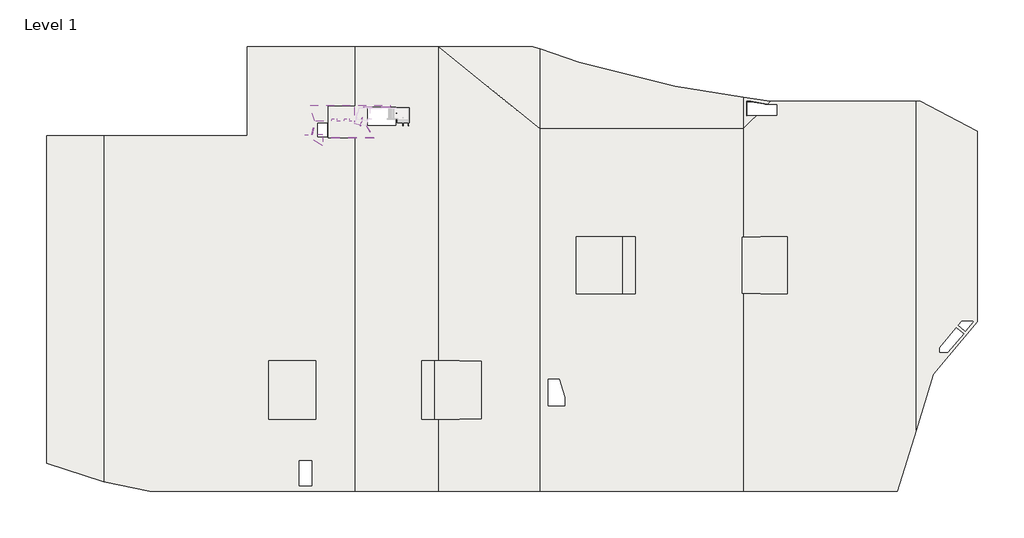
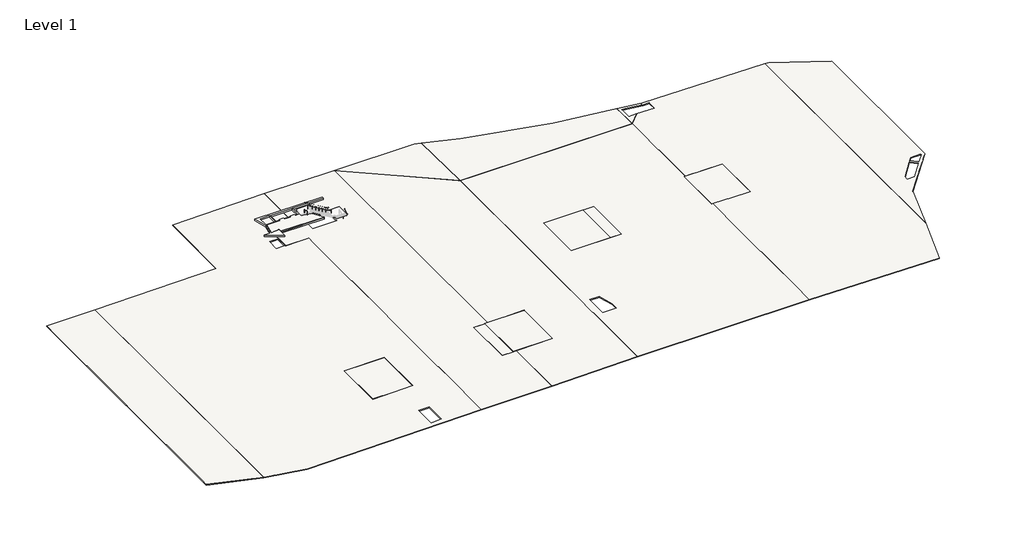
# One storey, part 1 of 2: 18 slabs, 2 railings.
"""IFC4 building model written with IfcOpenShell, lengths in millimetres."""

from ifc_helpers import new_model, si_unit, frame, origin, place, context, project, spatial, polyline, circle_curve, ellipse_curve, outline, extrude, faceted_brep, element, save
from ifc_brep_helpers import plane_surface, cylinder_surface, advanced_brep

model = new_model("IFC4")

# Units and contexts
model_context = context("Model", 3, world=origin())
ifc_project = project(units=[si_unit("LENGTHUNIT", "METRE", prefix="MILLI")], contexts=[model_context])

# Site, building, storey
site = spatial("IfcSite", under=ifc_project)
building = spatial("IfcBuilding", under=site)
storey = spatial("IfcBuildingStorey", under=building, Name="Level 1", Elevation=0.0)

# Railings
placement = place(None, origin())
element("IfcRailing", 1, at=placement, inside=storey, context=model_context, shape_type="AdvancedBrep", body=[
    advanced_brep(
    [(-109805.095066, 82229.3895559, 1539.0627805), (-109805.095066, 82267.4895559, 1539.0627805), (-115109.0879744, 82267.4895559, 4821.6038462), (-115109.0879744, 82229.3895559, 4821.6038462), (-109229.9199606, 82267.4895559, 518.7461538), (-109229.9199606, 82229.3895559, 518.7461538), (-109229.9199606, 82267.4895559, 1363.2961538), (-109229.9199606, 82229.3895559, 1363.2961538), (-109521.0879744, 82267.4895559, 1363.2961538), (-109521.0879744, 82229.3895559, 1363.2961538), (-115389.4199606, 82267.4895559, 4821.6038462), (-115389.4199606, 82229.3895559, 4821.6038462), (-115389.4199606, 82267.4895559, 3804.1384615), (-115389.4199606, 82229.3895559, 3804.1384615)],
    [
        (0, 1, circle_curve(frame((-109805.095066, 82248.4395559, 1539.0627805), z_axis=(-0.8503285033060657, 0.0, 0.526252255544113), x_axis=(0.0, -1.0, 0.0)), 19.05)),
        (1, 2),
        (2, 3, ellipse_curve(frame((-115109.0879744, 82248.4395559, 4821.6038462), z_axis=(0.9618545896615729, 0.0, -0.2735612332677407), x_axis=(-0.2735612332677405, 0.0, -0.961854589661573)), 19.8054885, 19.05)),
        (3, 0),
        (1, 0, circle_curve(frame((-109805.095066, 82248.4395559, 1539.0627805), z_axis=(-0.8503285033060657, 0.0, 0.526252255544113), x_axis=(0.0, -1.0, 0.0)), 19.05)),
        (3, 2, ellipse_curve(frame((-115109.0879744, 82248.4395559, 4821.6038462), z_axis=(0.9618545896615729, 0.0, -0.2735612332677407), x_axis=(-0.2735612332677405, 0.0, -0.961854589661573)), 19.8054885, 19.05)),
        (4, 5, circle_curve(frame((-109229.9199606, 82248.4395559, 518.7461538), z_axis=(0.0, 0.0, -1.0), x_axis=(0.0, -1.0, 0.0)), 19.05)),
        (5, 4, circle_curve(frame((-109229.9199606, 82248.4395559, 518.7461538), z_axis=(0.0, 0.0, -1.0), x_axis=(0.0, -1.0, 0.0)), 19.05)),
        (4, 6),
        (6, 7, ellipse_curve(frame((-109229.9199606, 82248.4395559, 1363.2961538), z_axis=(0.7071067811865475, 0.0, -0.7071067811865475), x_axis=(-0.7071067811865474, 0.0, -0.7071067811865476)), 26.9407684, 19.05)),
        (7, 5),
        (7, 6, ellipse_curve(frame((-109229.9199606, 82248.4395559, 1363.2961538), z_axis=(0.7071067811865475, 0.0, -0.7071067811865475), x_axis=(-0.7071067811865474, 0.0, -0.7071067811865476)), 26.9407684, 19.05)),
        (6, 8),
        (8, 9, ellipse_curve(frame((-109521.0879744, 82248.4395559, 1363.2961538), z_axis=(0.9618545896615743, 0.0, -0.273561233267736), x_axis=(0.27356123326773535, 0.0, 0.9618545896615744)), 19.8054885, 19.05)),
        (9, 7),
        (9, 8, ellipse_curve(frame((-109521.0879744, 82248.4395559, 1363.2961538), z_axis=(0.9618545896615743, 0.0, -0.273561233267736), x_axis=(0.27356123326773535, 0.0, 0.9618545896615744)), 19.8054885, 19.05)),
        (8, 1),
        (0, 9),
        (2, 10),
        (10, 11, ellipse_curve(frame((-115389.4199606, 82248.4395559, 4821.6038462), z_axis=(0.7071067811865475, 0.0, 0.7071067811865475), x_axis=(0.7071067811865476, 0.0, -0.7071067811865474)), 26.9407684, 19.05)),
        (11, 3),
        (11, 10, ellipse_curve(frame((-115389.4199606, 82248.4395559, 4821.6038462), z_axis=(0.7071067811865475, 0.0, 0.7071067811865475), x_axis=(0.7071067811865476, 0.0, -0.7071067811865474)), 26.9407684, 19.05)),
        (12, 13, circle_curve(frame((-115389.4199606, 82248.4395559, 3804.1384615), z_axis=(0.0, 0.0, -1.0), x_axis=(0.0, -1.0, 0.0)), 19.05)),
        (13, 12, circle_curve(frame((-115389.4199606, 82248.4395559, 3804.1384615), z_axis=(0.0, 0.0, -1.0), x_axis=(0.0, -1.0, 0.0)), 19.05)),
        (10, 12),
        (13, 11),
    ],
    [
        cylinder_surface(frame((-109805.095066, 82248.4395559, 1539.0627805), z_axis=(0.8503285033060657, 0.0, -0.526252255544113), x_axis=(0.0, -1.0, 0.0)), 19.05),
        plane_surface(frame((-109210.8699606, 82210.3395559, 518.7461538), z_axis=(0.0, 0.0, -1.0), x_axis=(1.0, 0.0, 0.0))),
        cylinder_surface(frame((-109229.9199606, 82248.4395559, 518.7461538), z_axis=(0.0, 0.0, -1.0), x_axis=(0.0, -1.0, 0.0)), 19.05),
        cylinder_surface(frame((-109210.8699606, 82248.4395559, 1363.2961538), z_axis=(1.0, 0.0, 0.0), x_axis=(0.0, -1.0, 0.0)), 19.05),
        cylinder_surface(frame((-109525.695066, 82248.4395559, 1366.1473959), z_axis=(0.8503285033060707, 0.0, -0.5262522555441048), x_axis=(0.0, -1.0, 0.0)), 19.05),
        cylinder_surface(frame((-115103.6699606, 82248.4395559, 4821.6038462), z_axis=(1.0, 0.0, 0.0), x_axis=(0.0, -1.0, 0.0)), 19.05),
        plane_surface(frame((-115408.4699606, 82210.3395559, 3804.1384615), z_axis=(0.0, 0.0, -1.0), x_axis=(-1.0, 0.0, 0.0))),
        cylinder_surface(frame((-115389.4199606, 82248.4395559, 4840.6538462), z_axis=(0.0, 0.0, 1.0), x_axis=(0.0, -1.0, 0.0)), 19.05),
    ],
    [
        (0, [[1, 2, 3, 4]]),
        (0, [[5, -4, 6, -2]]),
        (1, [[7, 8]]),
        (2, [[-7, 9, 10, 11]]),
        (2, [[-8, -11, 12, -9]]),
        (3, [[-10, 13, 14, 15]]),
        (3, [[-12, -15, 16, -13]]),
        (4, [[-14, 17, -1, 18]]),
        (4, [[-16, -18, -5, -17]]),
        (5, [[-3, 19, 20, 21]]),
        (5, [[-6, -21, 22, -19]]),
        (6, [[23, 24]]),
        (7, [[-20, 25, -24, 26]]),
        (7, [[-22, -26, -23, -25]]),
    ],
),
    advanced_brep(
    [(-114218.9032939, 82261.1395559, 3285.3923077), (-114218.9032939, 82235.7395559, 3285.3923077), (-114218.9032939, 82235.7395559, 4248.2744594), (-114218.9032939, 82261.1395559, 4248.2744594)],
    [
        (0, 1, circle_curve(frame((-114218.9032939, 82248.4395559, 3285.3923077), z_axis=(0.0, 0.0, -1.0), x_axis=(0.0, -1.0, 0.0)), 12.7)),
        (1, 0, circle_curve(frame((-114218.9032939, 82248.4395559, 3285.3923077), z_axis=(0.0, 0.0, -1.0), x_axis=(0.0, -1.0, 0.0)), 12.7)),
        (1, 2),
        (2, 3, ellipse_curve(frame((-114218.9032939, 82248.4395559, 4248.2744594), z_axis=(-0.5262522555441272, 0.0, -0.8503285033060568), x_axis=(-0.8503285033060568, 0.0, 0.5262522555441271)), 14.9354043, 12.7)),
        (3, 0),
        (3, 2, ellipse_curve(frame((-114218.9032939, 82248.4395559, 4248.2744594), z_axis=(-0.5262522555441272, 0.0, -0.8503285033060568), x_axis=(-0.8503285033060568, 0.0, 0.5262522555441271)), 14.9354043, 12.7)),
    ],
    [
        plane_surface(frame((-114218.9032939, 82235.7395559, 3285.3923077), z_axis=(0.0, 0.0, -1.0), x_axis=(-1.0, 0.0, 0.0))),
        cylinder_surface(frame((-114218.9032939, 82248.4395559, 3285.3923077), z_axis=(0.0, 0.0, 1.0), x_axis=(0.0, -1.0, 0.0)), 12.7),
        plane_surface(frame((-114282.4032939, 82108.9190493, 4287.5734105), z_axis=(0.5262522555441272, 0.0, 0.8503285033060568), x_axis=(0.0, 1.0, 0.0))),
    ],
    [
        (0, [[1, 2]]),
        (1, [[-2, 3, 4, 5]]),
        (1, [[-1, -5, 6, -3]]),
        (2, [[-4, -6]]),
    ],
),
    advanced_brep(
    [(-113334.1366272, 82261.1395559, 2766.6461539), (-113334.1366272, 82235.7395559, 2766.6461539), (-113334.1366272, 82235.7395559, 3700.7090748), (-113334.1366272, 82261.1395559, 3700.7090748)],
    [
        (0, 1, circle_curve(frame((-113334.1366272, 82248.4395559, 2766.6461539), z_axis=(0.0, 0.0, -1.0), x_axis=(0.0, -1.0, 0.0)), 12.7)),
        (1, 0, circle_curve(frame((-113334.1366272, 82248.4395559, 2766.6461539), z_axis=(0.0, 0.0, -1.0), x_axis=(0.0, -1.0, 0.0)), 12.7)),
        (1, 2),
        (2, 3, ellipse_curve(frame((-113334.1366272, 82248.4395559, 3700.7090748), z_axis=(-0.5262522555441267, 0.0, -0.8503285033060572), x_axis=(-0.8503285033060575, 0.0, 0.5262522555441264)), 14.9354043, 12.7)),
        (3, 0),
        (3, 2, ellipse_curve(frame((-113334.1366272, 82248.4395559, 3700.7090748), z_axis=(-0.5262522555441267, 0.0, -0.8503285033060572), x_axis=(-0.8503285033060575, 0.0, 0.5262522555441264)), 14.9354043, 12.7)),
    ],
    [
        plane_surface(frame((-113334.1366272, 82235.7395559, 2766.6461539), z_axis=(0.0, 0.0, -1.0), x_axis=(-1.0, 0.0, 0.0))),
        cylinder_surface(frame((-113334.1366272, 82248.4395559, 2766.6461539), z_axis=(0.0, 0.0, 1.0), x_axis=(0.0, -1.0, 0.0)), 12.7),
        plane_surface(frame((-113397.6366272, 82108.9190493, 3740.0080258), z_axis=(0.5262522555441267, 0.0, 0.8503285033060572), x_axis=(0.0, 1.0, 0.0))),
    ],
    [
        (0, [[1, 2]]),
        (1, [[-2, 3, 4, 5]]),
        (1, [[-1, -5, 6, -3]]),
        (2, [[-4, -6]]),
    ],
),
    advanced_brep(
    [(-112449.3699606, 82261.1395559, 2247.9), (-112449.3699606, 82235.7395559, 2247.9), (-112449.3699606, 82235.7395559, 3153.1436902), (-112449.3699606, 82261.1395559, 3153.1436902)],
    [
        (0, 1, circle_curve(frame((-112449.3699606, 82248.4395559, 2247.9), z_axis=(0.0, 0.0, -1.0), x_axis=(0.0, -1.0, 0.0)), 12.7)),
        (1, 0, circle_curve(frame((-112449.3699606, 82248.4395559, 2247.9), z_axis=(0.0, 0.0, -1.0), x_axis=(0.0, -1.0, 0.0)), 12.7)),
        (1, 2),
        (2, 3, ellipse_curve(frame((-112449.3699606, 82248.4395559, 3153.1436902), z_axis=(-0.5262522555441267, 0.0, -0.8503285033060572), x_axis=(-0.8503285033060575, 0.0, 0.5262522555441264)), 14.9354043, 12.7)),
        (3, 0),
        (3, 2, ellipse_curve(frame((-112449.3699606, 82248.4395559, 3153.1436902), z_axis=(-0.5262522555441267, 0.0, -0.8503285033060572), x_axis=(-0.8503285033060575, 0.0, 0.5262522555441264)), 14.9354043, 12.7)),
    ],
    [
        plane_surface(frame((-112449.3699606, 82235.7395559, 2247.9), z_axis=(0.0, 0.0, -1.0), x_axis=(-1.0, 0.0, 0.0))),
        cylinder_surface(frame((-112449.3699606, 82248.4395559, 2247.9), z_axis=(0.0, 0.0, 1.0), x_axis=(0.0, -1.0, 0.0)), 12.7),
        plane_surface(frame((-112512.8699606, 82108.9190493, 3192.4426412), z_axis=(0.5262522555441267, 0.0, 0.8503285033060572), x_axis=(0.0, 1.0, 0.0))),
    ],
    [
        (0, [[1, 2]]),
        (1, [[-2, 3, 4, 5]]),
        (1, [[-1, -5, 6, -3]]),
        (2, [[-4, -6]]),
    ],
),
    advanced_brep(
    [(-111564.6032939, 82261.1395559, 1729.1538462), (-111564.6032939, 82235.7395559, 1729.1538462), (-111564.6032939, 82235.7395559, 2605.5783056), (-111564.6032939, 82261.1395559, 2605.5783056)],
    [
        (0, 1, circle_curve(frame((-111564.6032939, 82248.4395559, 1729.1538462), z_axis=(0.0, 0.0, -1.0), x_axis=(0.0, -1.0, 0.0)), 12.7)),
        (1, 0, circle_curve(frame((-111564.6032939, 82248.4395559, 1729.1538462), z_axis=(0.0, 0.0, -1.0), x_axis=(0.0, -1.0, 0.0)), 12.7)),
        (1, 2),
        (2, 3, ellipse_curve(frame((-111564.6032939, 82248.4395559, 2605.5783056), z_axis=(-0.5262522555441272, 0.0, -0.8503285033060568), x_axis=(-0.8503285033060568, 0.0, 0.5262522555441271)), 14.9354043, 12.7)),
        (3, 0),
        (3, 2, ellipse_curve(frame((-111564.6032939, 82248.4395559, 2605.5783056), z_axis=(-0.5262522555441272, 0.0, -0.8503285033060568), x_axis=(-0.8503285033060568, 0.0, 0.5262522555441271)), 14.9354043, 12.7)),
    ],
    [
        plane_surface(frame((-111564.6032939, 82235.7395559, 1729.1538462), z_axis=(0.0, 0.0, -1.0), x_axis=(-1.0, 0.0, 0.0))),
        cylinder_surface(frame((-111564.6032939, 82248.4395559, 1729.1538462), z_axis=(0.0, 0.0, 1.0), x_axis=(0.0, -1.0, 0.0)), 12.7),
        plane_surface(frame((-111628.1032939, 82108.9190493, 2644.8772566), z_axis=(0.5262522555441272, 0.0, 0.8503285033060568), x_axis=(0.0, 1.0, 0.0))),
    ],
    [
        (0, [[1, 2]]),
        (1, [[-2, 3, 4, 5]]),
        (1, [[-1, -5, 6, -3]]),
        (2, [[-4, -6]]),
    ],
),
    advanced_brep(
    [(-110679.8366272, 82261.1395559, 1210.4076923), (-110679.8366272, 82235.7395559, 1210.4076923), (-110679.8366272, 82235.7395559, 2058.0129209), (-110679.8366272, 82261.1395559, 2058.0129209)],
    [
        (0, 1, circle_curve(frame((-110679.8366272, 82248.4395559, 1210.4076923), z_axis=(0.0, 0.0, -1.0), x_axis=(0.0, -1.0, 0.0)), 12.7)),
        (1, 0, circle_curve(frame((-110679.8366272, 82248.4395559, 1210.4076923), z_axis=(0.0, 0.0, -1.0), x_axis=(0.0, -1.0, 0.0)), 12.7)),
        (1, 2),
        (2, 3, ellipse_curve(frame((-110679.8366272, 82248.4395559, 2058.0129209), z_axis=(-0.5262522555441267, 0.0, -0.8503285033060572), x_axis=(-0.8503285033060575, 0.0, 0.5262522555441264)), 14.9354043, 12.7)),
        (3, 0),
        (3, 2, ellipse_curve(frame((-110679.8366272, 82248.4395559, 2058.0129209), z_axis=(-0.5262522555441267, 0.0, -0.8503285033060572), x_axis=(-0.8503285033060575, 0.0, 0.5262522555441264)), 14.9354043, 12.7)),
    ],
    [
        plane_surface(frame((-110679.8366272, 82235.7395559, 1210.4076923), z_axis=(0.0, 0.0, -1.0), x_axis=(-1.0, 0.0, 0.0))),
        cylinder_surface(frame((-110679.8366272, 82248.4395559, 1210.4076923), z_axis=(0.0, 0.0, 1.0), x_axis=(0.0, -1.0, 0.0)), 12.7),
        plane_surface(frame((-110743.3366272, 82108.9190493, 2097.311872), z_axis=(0.5262522555441267, 0.0, 0.8503285033060572), x_axis=(0.0, 1.0, 0.0))),
    ],
    [
        (0, [[1, 2]]),
        (1, [[-2, 3, 4, 5]]),
        (1, [[-1, -5, 6, -3]]),
        (2, [[-4, -6]]),
    ],
),
])
element("IfcRailing", 2, at=placement, inside=storey, context=model_context, shape_type="AdvancedBrep", body=[
    advanced_brep(
    [(-116856.3659337, 80783.0250179, 4824.4550882), (-116893.5656878, 80791.2583826, 4824.4550882), (-117134.0821299, 79704.5638279, 5513.2653846), (-117096.8823758, 79696.3304633, 5513.2653846), (-116769.2710325, 81352.8429627, 3804.1384615), (-116732.0712783, 81344.609598, 3804.1384615), (-116769.2710325, 81352.8429627, 4648.6884615), (-116732.0712783, 81344.609598, 4648.6884615), (-116832.1920935, 81068.5548124, 4648.6884615), (-116794.9923394, 81060.3214478, 4648.6884615), (-117194.6615383, 79430.8556663, 5513.2653846), (-117157.4617842, 79422.6223016, 5513.2653846), (-117194.6615383, 79430.8556663, 4495.8), (-117157.4617842, 79422.6223016, 4495.8)],
    [
        (0, 1, circle_curve(frame((-116874.9658107, 80787.1417003, 4824.4550882), z_axis=(-0.1837549769616325, -0.8302365156848787, 0.5262522555441091), x_axis=(0.9763714993169432, -0.21609880916280985, 0.0)), 19.05)),
        (1, 2),
        (2, 3, ellipse_curve(frame((-117115.4822529, 79700.4471456, 5513.2653846), z_axis=(0.20785563141365063, 0.9391274078327533, -0.27356123326773824), x_axis=(-0.05911625674228475, -0.2670973914806089, -0.961854589661574)), 19.8054885, 19.05)),
        (3, 0),
        (1, 0, circle_curve(frame((-116874.9658107, 80787.1417003, 4824.4550882), z_axis=(-0.1837549769616325, -0.8302365156848787, 0.5262522555441091), x_axis=(0.9763714993169432, -0.21609880916280985, 0.0)), 19.05)),
        (3, 2, ellipse_curve(frame((-117115.4822529, 79700.4471456, 5513.2653846), z_axis=(0.20785563141365063, 0.9391274078327533, -0.27356123326773824), x_axis=(-0.05911625674228475, -0.2670973914806089, -0.961854589661574)), 19.8054885, 19.05)),
        (4, 5, circle_curve(frame((-116750.6711554, 81348.7262804, 3804.1384615), z_axis=(0.0, 0.0, -1.0), x_axis=(0.9763714993169419, -0.21609880916281593, 0.0)), 19.05)),
        (5, 4, circle_curve(frame((-116750.6711554, 81348.7262804, 3804.1384615), z_axis=(0.0, 0.0, -1.0), x_axis=(0.9763714993169419, -0.21609880916281593, 0.0)), 19.05)),
        (4, 6),
        (6, 7, ellipse_curve(frame((-116750.6711554, 81348.7262804, 4648.6884615), z_axis=(0.15280493336536474, 0.6903989081242862, -0.7071067811865475), x_axis=(-0.15280493336536471, -0.6903989081242861, -0.7071067811865476)), 26.9407684, 19.05)),
        (7, 5),
        (7, 6, ellipse_curve(frame((-116750.6711554, 81348.7262804, 4648.6884615), z_axis=(0.15280493336536474, 0.6903989081242862, -0.7071067811865475), x_axis=(-0.15280493336536471, -0.6903989081242861, -0.7071067811865476)), 26.9407684, 19.05)),
        (6, 8),
        (8, 9, ellipse_curve(frame((-116813.5922165, 81064.4381301, 4648.6884615), z_axis=(0.20785563141365831, 0.9391274078327503, -0.27356123326774334), x_axis=(0.05911625674225762, 0.26709739148062034, 0.9618545896615724)), 19.8054885, 19.05)),
        (9, 7),
        (9, 8, ellipse_curve(frame((-116813.5922165, 81064.4381301, 4648.6884615), z_axis=(0.20785563141365831, 0.9391274078327503, -0.27356123326774334), x_axis=(0.05911625674225762, 0.26709739148062034, 0.9618545896615724)), 19.8054885, 19.05)),
        (8, 1),
        (0, 9),
        (2, 10),
        (10, 11, ellipse_curve(frame((-117176.0616612, 79426.7389839, 5513.2653846), z_axis=(0.1528049333653647, 0.6903989081242858, 0.7071067811865478), x_axis=(0.15280493336536483, 0.6903989081242863, -0.7071067811865474)), 26.9407684, 19.05)),
        (11, 3),
        (11, 10, ellipse_curve(frame((-117176.0616612, 79426.7389839, 5513.2653846), z_axis=(0.1528049333653647, 0.6903989081242858, 0.7071067811865478), x_axis=(0.15280493336536483, 0.6903989081242863, -0.7071067811865474)), 26.9407684, 19.05)),
        (12, 13, circle_curve(frame((-117176.0616612, 79426.7389839, 4495.8), z_axis=(0.0, 0.0, -1.0), x_axis=(0.9763714993169428, -0.21609880916281157, 0.0)), 19.05)),
        (13, 12, circle_curve(frame((-117176.0616612, 79426.7389839, 4495.8), z_axis=(0.0, 0.0, -1.0), x_axis=(0.9763714993169428, -0.21609880916281157, 0.0)), 19.05)),
        (10, 12),
        (13, 11),
    ],
    [
        cylinder_surface(frame((-116874.9658107, 80787.1417003, 4824.4550882), z_axis=(0.1837549769616325, 0.8302365156848787, -0.5262522555441091), x_axis=(0.9763714993169432, -0.21609880916280985, 0.0)), 19.05),
        plane_surface(frame((-116746.5544731, 81329.2261574, 3804.1384615), z_axis=(0.0, 0.0, -1.0), x_axis=(1.0, 0.0, 0.0))),
        cylinder_surface(frame((-116750.6711554, 81348.7262804, 3804.1384615), z_axis=(0.0, 0.0, -1.0000000000000002), x_axis=(0.9763714993169419, -0.21609880916281593, 0.0)), 19.05),
        cylinder_surface(frame((-116746.5544731, 81367.3261574, 4648.6884615), z_axis=(0.21609880916281587, 0.9763714993169418, 0.0), x_axis=(0.9763714993169418, -0.21609880916281587, 0.0)), 19.05),
        cylinder_surface(frame((-116814.5878035, 81059.9398972, 4651.5397036), z_axis=(0.1837549769616467, 0.83023651568487, -0.5262522555441179), x_axis=(0.9763714993169403, -0.21609880916282292, 0.0)), 19.05),
        cylinder_surface(frame((-117114.3114265, 79705.7371399, 5513.2653846), z_axis=(0.21609880916281593, 0.9763714993169419, 0.0), x_axis=(0.9763714993169419, -0.21609880916281593, 0.0)), 19.05),
        plane_surface(frame((-117180.1783435, 79370.0391069, 4495.8), z_axis=(0.0, 0.0, -1.0), x_axis=(-1.0, 0.0, 0.0))),
        cylinder_surface(frame((-117176.0616612, 79426.7389839, 5532.3153846), z_axis=(0.0, 0.0, 1.0000000000000002), x_axis=(0.9763714993169428, -0.21609880916281157, 0.0)), 19.05),
    ],
    [
        (0, [[1, 2, 3, 4]]),
        (0, [[5, -4, 6, -2]]),
        (1, [[7, 8]]),
        (2, [[-7, 9, 10, 11]]),
        (2, [[-8, -11, 12, -9]]),
        (3, [[-10, 13, 14, 15]]),
        (3, [[-12, -15, 16, -13]]),
        (4, [[-14, 17, -1, 18]]),
        (4, [[-16, -18, -5, -17]]),
        (5, [[-3, 19, 20, 21]]),
        (5, [[-6, -21, 22, -19]]),
        (6, [[23, 24]]),
        (7, [[-20, 25, -24, 26]]),
        (7, [[-22, -26, -23, -25]]),
    ],
),
])

# Slabs
element("IfcSlab", 3, ObjectType="Architectural Slab 14\"", at=placement, inside=storey, context=model_context, shape_type="SweptSolid", body=[
    extrude(outline(polyline([(-110645.9699606, 83981.3013723), (-110645.9699606, 83513.6125027), (-118509.3355037, 83513.6125027), (-118509.3355037, 80014.4956832), (-115871.5938154, 79430.6883536), (-114182.9690835, 76778.9119759), (-114254.2357404, 76701.6500038), (-125502.7803676, 76701.6500038), (-125502.7803676, 75106.3870817), (-129379.1063344, 77536.3472984), (-127828.8588213, 77536.3472984), (-127263.0404606, 80571.9750038), (-128163.7230924, 83981.3013723), (-110645.9699606, 83981.3013723)]), holes=[polyline([(-124606.5380658, 83527.9612612), (-127019.5380658, 83527.9612612), (-127019.5380658, 80886.3611879), (-124606.5380658, 80886.3611879), (-124606.5380658, 83527.9612612)]), polyline([(-118814.1355037, 83413.5974808), (-124301.7380658, 83413.5974808), (-124301.7380658, 80978.4479362), (-118814.1355037, 80978.4479362), (-118814.1355037, 83413.5974808)])]), frame((0.0, 0.0, 4038.6), z_axis=(0.0, 0.0, 1.0), x_axis=(1.0, 0.0, 0.0)), (0.0, 0.0, 1.0), 355.6),
])
element("IfcSlab", 4, ObjectType="Architectural Slab 8\"", at=placement, inside=storey, context=model_context, shape_type="SweptSolid", body=[
    extrude(outline(polyline([(-186228.5307613, 5167.2629512), (-186228.5307613, 77237.9273211), (-173659.8000133, 77237.9273211), (-173659.8000133, 1176.4649624), (-186228.5307613, 5167.2629512)])), frame((0.0, 0.0, -711.2), z_axis=(0.0, 0.0, 1.0), x_axis=(1.0, 0.0, 0.0)), (0.0, 0.0, 1.0), 203.2),
])
element("IfcSlab", 5, ObjectType="Architectural Slab 8\"", at=placement, inside=storey, context=model_context, shape_type="Brep", body=[
    faceted_brep([(-32918.3999899, 42532.3000006, 304.7852918), (-23215.5999871, 42532.3000006, 188.0403719), (-23215.5999871, 55003.7000006, 188.0403719), (-32918.3999899, 55003.7000006, 304.7852918), (-32918.3999899, 78761.9273211, 304.7852918), (-30077.7881138, 81686.4000027, 270.6068066), (-25403.6386997, 81686.4000027, 214.3670409), (-25403.6386997, 84150.2000035, 214.3670409), (-27049.8055762, 84150.2000035, 234.1738617), (-27599.9960991, 84237.3416215, 240.7938011), (-26993.8329223, 84861.4000035, 233.5003939), (5080.0000001, 84861.4000035, -152.4147082), (5080.0000001, 12485.3643712, -152.4147082), (901.5406769, -939.8000008, -102.1391281), (-32918.3999899, -939.8000008, 304.7852918), (-32918.3999899, 42532.3000006, 508.0), (-32918.3999899, -939.8000008, 508.0), (901.5406769, -939.8000008, 101.0755801), (5080.0000001, 12485.3643712, 50.8), (5080.0000001, 84861.4000035, 50.8), (-26993.8329223, 84861.4000035, 436.7151021), (-27599.9960991, 84237.3416215, 444.0085093), (-27049.8055762, 84150.2000035, 437.3885699), (-25403.6386997, 84150.2000035, 417.5817492), (-25403.6386997, 81686.4000027, 417.5817492), (-30077.7881138, 81686.4000027, 473.8215149), (-32918.3999899, 78761.9273211, 508.0), (-32918.3999899, 55003.7000006, 508.0), (-23215.5999871, 55003.7000006, 391.2550802), (-23215.5999871, 42532.3000006, 391.2550802)], [[[0, 1, 2, 3, 4, 5, 6, 7, 8, 9, 10, 11, 12, 13, 14]], [[15, 16, 17, 18, 19, 20, 21, 22, 23, 24, 25, 26, 27, 28, 29]], [[13, 12, 18, 17]], [[14, 13, 17, 16]], [[0, 14, 16, 15]], [[12, 11, 19, 18]], [[1, 0, 15, 29]], [[2, 1, 29, 28]], [[3, 2, 28, 27]], [[4, 3, 27, 26]], [[11, 10, 20, 19]], [[10, 9, 21, 20]], [[5, 4, 26, 25]], [[6, 5, 25, 24]], [[7, 6, 24, 23]], [[8, 7, 23, 22]], [[9, 8, 22, 21]]]),
])
element("IfcSlab", 6, ObjectType="Architectural Slab 8\"", at=placement, inside=storey, context=model_context, shape_type="Brep", body=[
    faceted_brep([(-173659.8000133, 77237.9273211, -711.2144382), (-142099.3910946, 77237.9273211, -334.9784767), (-142099.3910946, 96901.000002, -334.9784767), (-118262.4000229, 96901.000002, -50.8144382), (-118262.4000229, 83721.6424119, -50.8144382), (-124301.7380658, 83721.6752969, -122.810215), (-124301.7380658, 76809.6744098, -122.810215), (-118262.4000229, 76809.6744098, -50.8144382), (-118262.4000229, -939.8000008, -50.8144382), (-163576.0000151, -939.8000008, -591.004076), (-173659.8000133, 1176.4649624, -711.2144382), (-137312.4000338, 27724.1000033, -277.9121), (-137312.4000338, 14947.9000015, -277.9121), (-126949.200021, 14947.9000015, -154.3709719), (-126949.200021, 27724.1000033, -154.3709719), (-130606.8000151, 5791.2000062, -197.9737229), (-130606.8000151, 304.291618, -197.9737229), (-127914.4000151, 304.291618, -165.8772534), (-127914.4000151, 5791.2000062, -165.8772534), (-124434.6000327, 77012.8000032, -124.3940807), (-124434.6000327, 80048.1000032, -124.3940807), (-126568.2000327, 80048.1000032, -149.8290188), (-126568.2000327, 77012.8000032, -149.8290188), (-173659.8000133, 77237.9273211, -508.0), (-173659.8000133, 1176.4649624, -508.0), (-163576.0000151, -939.8000008, -387.7896378), (-118262.4000229, -939.8000008, 152.4), (-118262.4000229, 76809.6744098, 152.4), (-124301.7380658, 76809.6744098, 80.4042232), (-124301.7380658, 83721.6752969, 80.4042232), (-118262.4000229, 83721.6424119, 152.4), (-118262.4000229, 96901.000002, 152.4), (-142099.3910946, 96901.000002, -131.7640385), (-142099.3910946, 77237.9273211, -131.7640385), (-137312.4000338, 27724.1000033, -74.6976618), (-126949.200021, 27724.1000033, 48.8434663), (-126949.200021, 14947.9000015, 48.8434663), (-137312.4000338, 14947.9000015, -74.6976618), (-130606.8000151, 5791.2000062, 5.2407153), (-127914.4000151, 5791.2000062, 37.3371849), (-127914.4000151, 304.291618, 37.3371849), (-130606.8000151, 304.291618, 5.2407153), (-124434.6000327, 77012.8000032, 78.8203575), (-126568.2000327, 77012.8000032, 53.3854194), (-126568.2000327, 80048.1000032, 53.3854194), (-124434.6000327, 80048.1000032, 78.8203575)], [[[0, 1, 2, 3, 4, 5, 6, 7, 8, 9, 10], [11, 12, 13, 14], [15, 16, 17, 18], [19, 20, 21, 22]], [[23, 24, 25, 26, 27, 28, 29, 30, 31, 32, 33], [34, 35, 36, 37], [38, 39, 40, 41], [42, 43, 44, 45]], [[1, 0, 23, 33]], [[8, 7, 27, 26]], [[9, 8, 26, 25]], [[0, 10, 24, 23]], [[2, 1, 33, 32]], [[12, 11, 34, 37]], [[13, 12, 37, 36]], [[14, 13, 36, 35]], [[11, 14, 35, 34]], [[3, 2, 32, 31]], [[16, 15, 38, 41]], [[17, 16, 41, 40]], [[18, 17, 40, 39]], [[15, 18, 39, 38]], [[10, 9, 25, 24]], [[6, 5, 29, 28]], [[4, 3, 31, 30]], [[5, 4, 30, 29]], [[7, 6, 28, 27]], [[20, 19, 42, 45]], [[21, 20, 45, 44]], [[22, 21, 44, 43]], [[19, 22, 43, 42]]]),
])
element("IfcSlab", 7, ObjectType="Architectural Slab 8\"", at=placement, inside=storey, context=model_context, shape_type="Brep", body=[
    faceted_brep([(-77723.9999852, 78761.9273213, 304.7740514), (-77723.9999858, -939.8000008, 304.7740514), (-99974.4000259, -939.8000008, -50.8259486), (-99974.4000259, 14947.9000014, -50.8259486), (-90474.800006, 14947.9000014, 100.9941428), (-90474.800006, 27724.1000033, 100.9941428), (-99974.4000259, 27724.1000033, -50.8259486), (-99974.4000259, 96901.0000042, -50.8259486), (-77723.9999852, 78761.9273213, 508.0), (-99974.4000259, 96901.0000042, 152.4), (-99974.4000259, 27724.1000033, 152.4), (-90474.800006, 27724.1000033, 304.2200914), (-90474.800006, 14947.9000014, 304.2200914), (-99974.4000259, 14947.9000014, 152.4), (-99974.4000259, -939.8000008, 152.4), (-77723.9999858, -939.8000008, 508.0)], [[[0, 1, 2, 3, 4, 5, 6, 7]], [[8, 9, 10, 11, 12, 13, 14, 15]], [[1, 0, 8, 15]], [[2, 1, 15, 14]], [[0, 7, 9, 8]], [[3, 2, 14, 13]], [[6, 5, 11, 10]], [[4, 3, 13, 12]], [[5, 4, 12, 11]], [[7, 6, 10, 9]]]),
])
element("IfcSlab", 8, ObjectType="Architectural Slab 8\"", at=placement, inside=storey, context=model_context, shape_type="SweptSolid", body=[
    extrude(outline(polyline([(-32918.3999899, 78761.9273211), (-32918.3999899, 55003.7000006), (-33223.1999999, 55003.7000006), (-33223.1999999, 42532.3000006), (-32918.3999899, 42532.3000006), (-32918.3999899, -939.8000008), (-77723.9999852, -939.8000008), (-77723.9999852, 78761.9273211), (-32918.3999899, 78761.9273211)]), holes=[polyline([(-56686.4189548, 55003.7000006), (-69697.9259175, 55003.7000006), (-69697.9259175, 42532.3000006), (-56686.4189548, 42532.3000006), (-56686.4189548, 55003.7000006)]), polyline([(-75818.9999986, 17881.6000055), (-72262.9999983, 17881.6000055), (-72262.9999983, 19752.0070705), (-73412.2821039, 23672.8000055), (-75818.9999986, 23672.8000055), (-75818.9999986, 17881.6000055)])]), frame((0.0, 0.0, 304.8), z_axis=(0.0, 0.0, 1.0), x_axis=(1.0, 0.0, 0.0)), (0.0, 0.0, 1.0), 203.2),
])
element("IfcSlab", 9, ObjectType="Architectural Slab 8\"", at=placement, inside=storey, context=model_context, shape_type="Brep", body=[
    faceted_brep([(-77723.9999852, 96385.0045142, -40.7234216), (-69128.9728691, 93452.1828531, 16.7718761), (-48047.4115349, 88195.9592689, 119.8153524), (-32918.3999899, 85799.7592427, 166.7906716), (-32918.3999899, 78761.9273211, 304.7609568), (-77723.9999852, 78761.9273211, 304.7609568), (-77723.9999852, 96385.0045142, 162.5156216), (-77723.9999852, 78761.9273211, 508.0), (-32918.3999899, 78761.9273211, 508.0), (-32918.3999899, 85799.7592427, 370.0297148), (-48047.4115349, 88195.9592689, 323.0543956), (-69128.9728691, 93452.1828531, 220.0109193)], [[[0, 1, 2, 3, 4, 5]], [[6, 7, 8, 9, 10, 11]], [[5, 4, 8, 7]], [[0, 5, 7, 6]], [[1, 0, 6, 11]], [[2, 1, 11, 10]], [[3, 2, 10, 9]], [[4, 3, 9, 8]]]),
])
element("IfcSlab", 10, ObjectType="Architectural Slab 8\"", at=placement, inside=storey, context=model_context, shape_type="Brep", body=[
    faceted_brep([(-77723.9999852, 96385.0045142, -37.518528), (-77723.9999852, 78761.9273213, 304.7616776), (-99974.4000258, 96901.0000041, -47.540333), (-79236.193954, 96901.0000041, -47.540333), (-77723.9999852, 96385.0045142, 165.7197944), (-79236.193954, 96901.0000041, 155.6979894), (-99974.4000258, 96901.0000041, 155.6979894), (-77723.9999852, 78761.9273213, 508.0)], [[[0, 1, 2, 3]], [[4, 5, 6, 7]], [[1, 0, 4, 7]], [[3, 2, 6, 5]], [[2, 1, 7, 6]], [[0, 3, 5, 4]]]),
])
element("IfcSlab", 11, ObjectType="Architectural Slab 8\"", at=placement, inside=storey, context=model_context, shape_type="SweptSolid", body=[
    extrude(outline(polyline([(-99974.4000259, -939.8000008), (-118262.4000229, -939.8000008), (-118262.4000229, 76809.6744098), (-124301.7380658, 76809.6744098), (-124301.7380658, 83721.6636486), (-118262.4000227, 83721.6636486), (-118262.4000227, 96901.0000018), (-99974.4000259, 96901.0000018), (-99974.4000259, 27724.1000033), (-103638.5270341, 27724.1000033), (-103638.5270341, 14947.9000015), (-99974.4000259, 14947.9000015), (-99974.4000259, -939.8000008)]), holes=[polyline([(-115590.6232285, 79568.7537274), (-109423.8609455, 79568.7537274), (-109423.8609455, 83513.6125027), (-115590.6232285, 83513.6125027), (-115590.6232285, 79568.7537274)])]), frame((0.0, 0.0, -50.8), z_axis=(0.0, 0.0, 1.0), x_axis=(1.0, 0.0, 0.0)), (0.0, 0.0, 1.0), 203.2),
])
element("IfcSlab", 12, ObjectType="Architectural Slab 8\"", at=placement, inside=storey, context=model_context, shape_type="SweptSolid", body=[
    extrude(outline(polyline([(6030.6398574, 84861.4000035), (18592.8000001, 78227.7924142), (18592.8000001, 36309.9635759), (8899.859527, 24758.3669445), (5080.0000001, 12485.3643712), (5080.0000007, 84861.4000035), (6030.6398574, 84861.4000035)]), holes=[polyline([(12026.5144793, 29591.0000023), (15527.1137318, 33762.8517376), (13952.7725762, 35082.4202607), (10246.0574002, 30664.9291331), (10246.0574002, 29591.0000023), (12026.5144793, 29591.0000023)]), polyline([(15918.9571168, 34229.8324994), (17717.0604646, 36372.7286241), (17578.0125154, 36489.403707), (15138.2521031, 36489.403707), (14347.4811101, 35546.9995351), (15918.9571168, 34229.8324994)])]), frame((0.0, 0.0, -152.4), z_axis=(0.0, 0.0, 1.0), x_axis=(1.0, 0.0, 0.0)), (0.0, 0.0, 1.0), 203.2),
])
element("IfcSlab", 13, ObjectType="Architectural Slab 8\"", at=placement, inside=storey, context=model_context, shape_type="SweptSolid", body=[
    extrude(outline(polyline([(-23215.5999871, 42532.3000006), (-33223.1999999, 42532.3000006), (-33223.1999999, 55003.7000006), (-23215.5999871, 55003.7000006), (-23215.5999871, 42532.3000006)])), frame((0.0, 0.0, 259.4161766), z_axis=(0.0, 0.0, 1.0), x_axis=(1.0, 0.0, 0.0)), (0.0, 0.0, 1.0), 203.2),
])
element("IfcSlab", 14, ObjectType="Architectural Slab 8\"", at=placement, inside=storey, context=model_context, shape_type="SweptSolid", body=[
    extrude(outline(polyline([(-137312.4000338, 27724.1000033), (-126949.200021, 27724.1000033), (-126949.200021, 14947.9000015), (-137312.4000338, 14947.9000015), (-137312.4000338, 27724.1000033)])), frame((0.0, 0.0, -215.9), z_axis=(0.0, 0.0, 1.0), x_axis=(1.0, 0.0, 0.0)), (0.0, 0.0, 1.0), 203.2),
])
element("IfcSlab", 15, ObjectType="Architectural Slab 8\"", at=placement, inside=storey, context=model_context, shape_type="SweptSolid", body=[
    extrude(outline(polyline([(-90474.800006, 27724.1000033), (-90474.800006, 14947.9000015), (-100774.5000236, 14947.9000015), (-100774.5000236, 27724.1000033), (-90474.800006, 27724.1000033)])), frame((0.0, 0.0, 22.225), z_axis=(0.0, 0.0, 1.0), x_axis=(1.0, 0.0, 0.0)), (0.0, 0.0, 1.0), 203.2),
])
element("IfcSlab", 16, ObjectType="Architectural Slab 8\"", at=placement, inside=storey, context=model_context, shape_type="SweptSolid", body=[
    extrude(outline(polyline([(-100774.5000236, 27724.1000033), (-100774.5000236, 14947.9000015), (-103638.5270341, 14947.9000015), (-103638.5270341, 27724.1000033), (-100774.5000236, 27724.1000033)])), frame((0.0, 0.0, -50.8), z_axis=(0.0, 0.0, 1.0), x_axis=(1.0, 0.0, 0.0)), (0.0, 0.0, 1.0), 203.2),
])
element("IfcSlab", 17, ObjectType="Architectural Slab 8\"", at=placement, inside=storey, context=model_context, shape_type="SweptSolid", body=[
    extrude(outline(polyline([(-59550.2999999, 55003.7000006), (-59550.2999999, 42532.3000006), (-69697.9259175, 42532.3000006), (-69697.9259175, 55003.7000006), (-59550.2999999, 55003.7000006)])), frame((0.0, 0.0, 304.8), z_axis=(0.0, 0.0, 1.0), x_axis=(1.0, 0.0, 0.0)), (0.0, 0.0, 1.0), 203.2),
])
element("IfcSlab", 18, ObjectType="Architectural Slab 8\"", at=placement, inside=storey, context=model_context, shape_type="SweptSolid", body=[
    extrude(outline(polyline([(-56686.4483018, 55003.7000006), (-56686.4483018, 42532.3000006), (-59550.2999999, 42532.3000006), (-59550.2999999, 55003.7000006), (-56686.4483018, 55003.7000006)])), frame((0.0, 0.0, 304.8), z_axis=(0.0, 0.0, 1.0), x_axis=(1.0, 0.0, 0.0)), (0.0, 0.0, 1.0), 203.2),
])
element("IfcSlab", 19, ObjectType="Architectural Slab 8\"", at=placement, inside=storey, context=model_context, shape_type="Brep", body=[
    faceted_brep([(-32918.3999899, 78761.9273211, 508.0), (-32918.3999899, 78761.9273211, 304.8), (-30082.620504, 81681.4249503, 271.3664689), (-30078.7035647, 81685.4575258, 474.5202886), (-26993.8329223, 84861.4000035, 234.95), (-26993.8329223, 84861.4000035, 438.15), (-27602.1431808, 84235.1311535, 445.3219116), (-27605.3038198, 84231.8772058, 242.1591752), (-32918.3999899, 85799.7592427, 368.3), (-32918.3999899, 85799.7592427, 165.1), (-32141.7274342, 81685.1036059, 456.6904476), (-32141.7274342, 84811.7402545, 394.6271382), (-31248.6916196, 84811.8934584, 402.3452683), (-31246.9355793, 84807.8618561, 199.2404778), (-32139.9713939, 84807.7086522, 191.5223477), (-32139.9713939, 81681.0720036, 253.585657)], [[[0, 1, 2, 3]], [[4, 5, 6, 7]], [[1, 0, 8, 9]], [[9, 8, 5, 4]], [[8, 0, 3, 10, 11, 12, 6, 5]], [[1, 9, 4, 7, 13, 14, 15, 2]], [[11, 14, 13, 12]], [[15, 10, 3, 2]], [[10, 15, 14, 11]], [[12, 13, 7, 6]]]),
])
element("IfcSlab", 20, ObjectType="Floor Finish 1/2\"", at=placement, inside=storey, context=model_context, shape_type="SweptSolid", body=[
    extrude(outline(polyline([(-122421.4473713, 80978.3750038), (-122421.4473713, 80571.9750038), (-120701.2880658, 80571.9750038), (-120701.2880658, 80978.3750038), (-119621.7880658, 80978.3750038), (-119621.7880658, 80571.9750038), (-118510.0500327, 80571.9750038), (-118510.0500327, 80014.6538288), (-115902.1466672, 79437.4505695), (-114258.0708407, 76854.0500038), (-125502.7803676, 76854.0500038), (-125502.7803676, 77536.3472984), (-127609.2404236, 77536.3472984), (-127043.422063, 80571.9750038), (-123494.5973713, 80571.9750038), (-123494.5973713, 80978.3750038), (-122421.4473713, 80978.3750038)])), frame((0.0, 0.0, 4483.1), z_axis=(0.0, 0.0, 1.0), x_axis=(1.0, 0.0, 0.0)), (0.0, 0.0, 1.0), 12.7),
])

save(model, "model.ifc")
